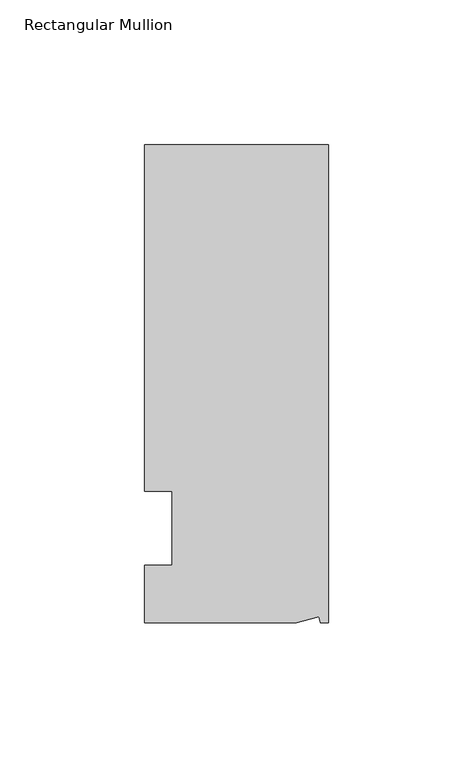
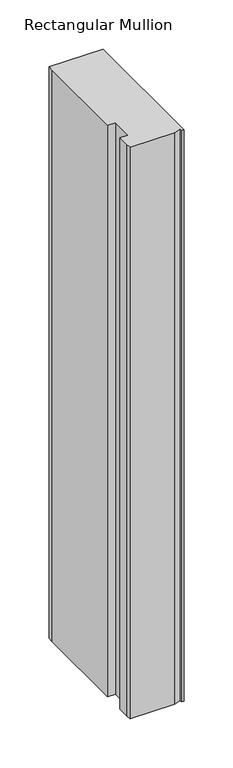
"""IFC4 building model written with IfcOpenShell, lengths in millimetres: member geometry, Rectangular Mullion."""

from ifc_helpers import new_model, si_unit, origin, place, context, project, spatial, faceted_brep, source, transform, mapped, element, save


def rectangular_mullion_fb438dd8(model_context):
    return source(origin(), model_context, "Body", "Brep", [
        faceted_brep([(0.0, 132.5561012, 0.0), (-63.5, 132.5561012, 0.0), (-63.5, 126.2061012, 0.0), (-63.5, 12.8488281, 0.0), (-53.975, 12.8488281, 0.0), (-53.975, -12.7, 0.0), (-63.5, -12.7, 0.0), (-63.5, -26.1938988, 0.0), (-63.5076469, -32.5438988, 0.0), (-11.1125, -32.5438988, 0.0), (-3.3223696, -30.4565397, 0.0), (-2.7630634, -32.5438988, 0.0), (0.0, -32.5438988, 0.0), (0.0, 132.5561012, -711.2), (0.0, -32.5438988, -711.2), (-2.7630634, -32.5438988, -711.2), (-3.3223696, -30.4565397, -711.2), (-11.1125, -32.5438988, -711.2), (-63.5076469, -32.5438988, -711.2), (-63.5076469, -26.1938988, -711.2), (-63.5, -12.7, -711.2), (-53.975, -12.7, -711.2), (-53.975, 12.8488281, -711.2), (-63.5, 12.8488281, -711.2), (-63.5, 126.2061012, -711.2), (-63.5, 132.5561012, -711.2)], [[[0, 1, 2, 3, 4, 5, 6, 7, 8, 9, 10, 11, 12]], [[13, 14, 15, 16, 17, 18, 19, 20, 21, 22, 23, 24, 25]], [[0, 12, 14, 13]], [[1, 0, 13, 25]], [[3, 2, 24, 23]], [[4, 3, 23, 22]], [[5, 4, 22, 21]], [[6, 5, 21, 20]], [[7, 6, 20, 19]], [[9, 8, 18, 17]], [[10, 9, 17, 16]], [[11, 10, 16, 15]], [[12, 11, 15, 14]], [[2, 1, 25, 24]], [[8, 7, 19, 18]]]),
    ])


if __name__ == "__main__":
    model = new_model("IFC4")
    model_context = context("Model", 3, world=origin())
    ifc_project = project(units=[si_unit("LENGTHUNIT", "METRE", prefix="MILLI")], contexts=[model_context])
    site = spatial("IfcSite", under=ifc_project)
    building = spatial("IfcBuilding", under=site)
    placement = place(None, origin())
    rectangular_mullion_shape = rectangular_mullion_fb438dd8(model_context)
    element("IfcMember", 1, ObjectType="Rectangular Mullion", at=placement, inside=building, context=model_context, shape_type="MappedRepresentation", body=[
        mapped(rectangular_mullion_shape, transform((0.0, 0.0, 0.0), x_axis=(1.0, 0.0, 0.0), y_axis=(0.0, 1.0, 0.0), z_axis=(0.0, 0.0, 1.0))),
    ])
    save(model, "model.ifc")
